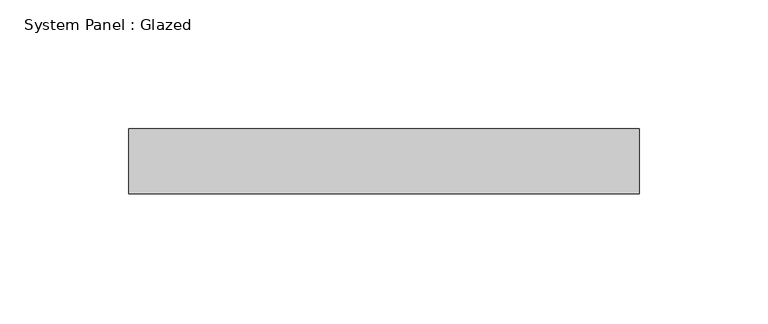
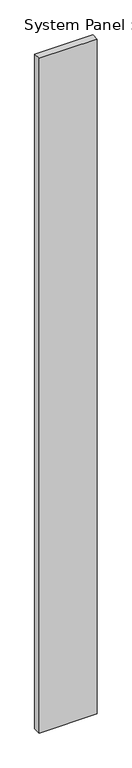
"""IFC4 building model written with IfcOpenShell, lengths in millimetres: plate geometry, System Panel : Glazed."""

from ifc_helpers import new_model, si_unit, origin, origin_with_axes, place, context, project, spatial, polyline, outline, extrude, source, transform, mapped, element, save


def system_panel_glazed_6fb00ea8(model_context):
    return source(origin(), model_context, "Body", "SweptSolid", [
        extrude(outline(polyline([(99.3243975, 19.05), (-99.3243975, 19.05), (-99.3243975, 44.45), (99.3243975, 44.45), (99.3243975, 19.05)])), origin_with_axes(), (0.0, 0.0, 1.0), 2438.4),
    ])


if __name__ == "__main__":
    model = new_model("IFC4")
    model_context = context("Model", 3, world=origin())
    ifc_project = project(units=[si_unit("LENGTHUNIT", "METRE", prefix="MILLI")], contexts=[model_context])
    site = spatial("IfcSite", under=ifc_project)
    building = spatial("IfcBuilding", under=site)
    placement = place(None, origin())
    system_panel_glazed_shape = system_panel_glazed_6fb00ea8(model_context)
    element("IfcPlate", 1, ObjectType="System Panel : Glazed", at=placement, inside=building, context=model_context, shape_type="MappedRepresentation", body=[
        mapped(system_panel_glazed_shape, transform((0.0, 0.0, 0.0), x_axis=(1.0, 0.0, 0.0), y_axis=(0.0, 1.0, 0.0), z_axis=(0.0, 0.0, 1.0))),
    ])
    save(model, "model.ifc")
